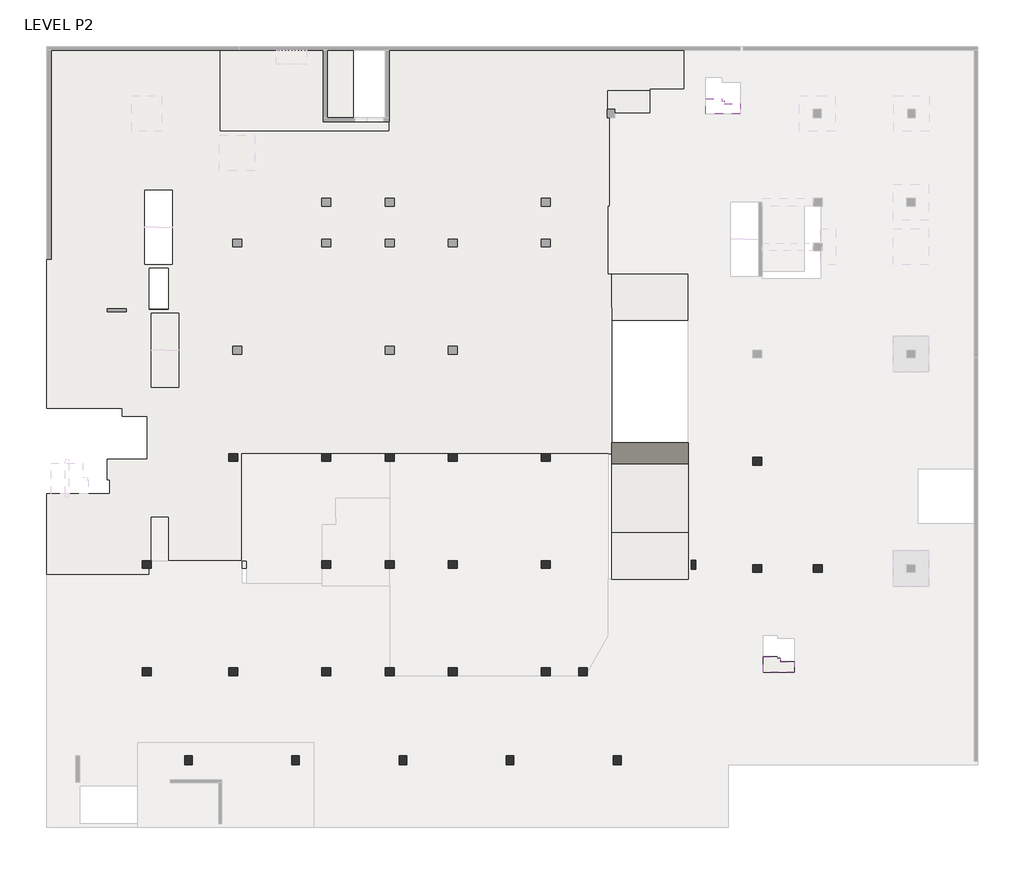
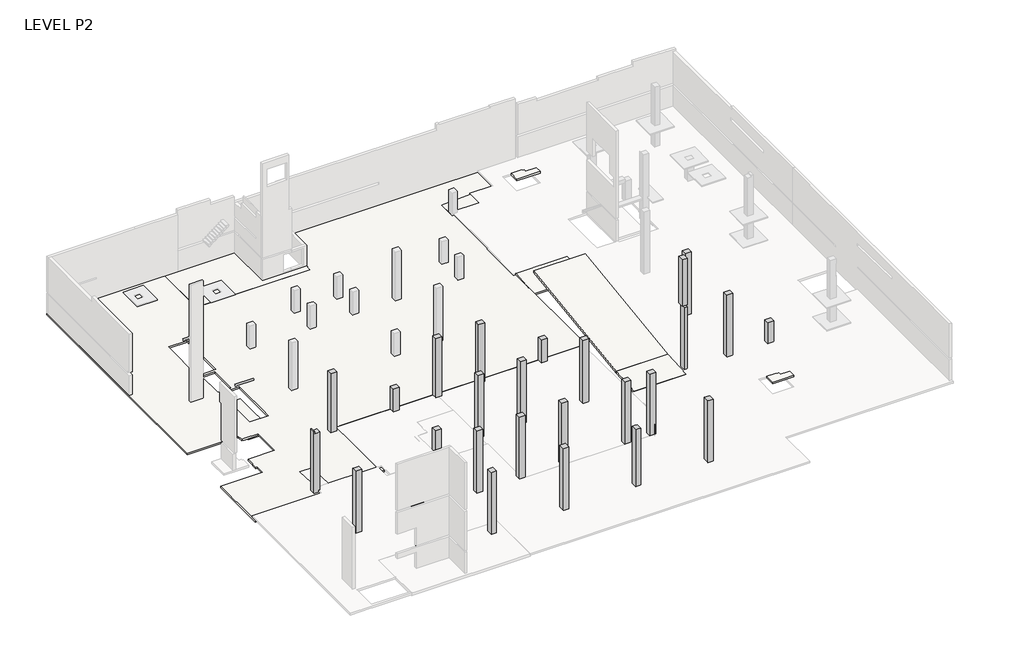
# One storey, part 2 of 3: 26 columns, 10 slabs, 2 beams.
"""IFC4 building model written with IfcOpenShell, lengths in millimetres."""

from ifc_helpers import new_model, si_unit, frame, origin, place, context, project, spatial, polyline, outline, extrude, faceted_brep, element, save

model = new_model("IFC4")

# Units and contexts
model_context = context("Model", 3, world=origin())
ifc_project = project(units=[si_unit("LENGTHUNIT", "METRE", prefix="MILLI")], contexts=[model_context])

# Site, building, storey
site = spatial("IfcSite", under=ifc_project)
building = spatial("IfcBuilding", under=site)
storey = spatial("IfcBuildingStorey", under=building, Name="LEVEL P2", Elevation=-8200.0)

# Beams
placement = place(None, origin())
element("IfcBeam", 1, ObjectType="110 DP.", at=placement, inside=storey, context=model_context, shape_type="SweptSolid", body=[
    extrude(outline(polyline([(187203.8204833, 179362.9545254), (187203.8204833, 176562.9545254), (178361.1491693, 176562.9545254), (178361.1491693, 179362.9545254), (187203.8204833, 179362.9545254)]), holes=[polyline([(185501.1489175, 177663.2322067), (186201.1489175, 177663.2322067), (186201.1489175, 178263.2322067), (185501.1489175, 178263.2322067), (185501.1489175, 177663.2322067)])]), frame((0.0, 0.0, -8510.0), z_axis=(0.0, 0.0, 1.0), x_axis=(1.0, 0.0, 0.0)), (0.0, 0.0, 1.0), 110.0),
])
element("IfcBeam", 2, ObjectType="110 DP.", at=placement, inside=storey, context=model_context, shape_type="SweptSolid", body=[
    extrude(outline(polyline([(187203.8204833, 170963.0636145), (187203.8204833, 168163.0636145), (178361.1491693, 168163.0636145), (178361.1491693, 170963.0636145), (187203.8204833, 170963.0636145)])), frame((0.0, 0.0, -8310.0), z_axis=(0.0, 0.0, 1.0), x_axis=(1.0, 0.0, 0.0)), (0.0, 0.0, 1.0), 110.0),
])

# Columns
element("IfcColumn", 3, ObjectType="SE_CONCRETE COLUMN_RECTANGULAR : 600X700", at=placement, inside=storey, context=model_context, shape_type="Brep", body=[
    faceted_brep([(210196.1491692, 186063.2322067, -8200.0), (209496.1491692, 186063.2322067, -8200.0), (209496.1491692, 186663.2322067, -8200.0), (210196.1491692, 186663.2322067, -8200.0), (210196.1491692, 186063.2322067, -5710.0), (210196.1491692, 186063.2322067, -5600.0), (210196.1491692, 186063.2322067, -930.0), (209496.1491692, 186063.2322067, -930.0), (209496.1491692, 186063.2322067, -5600.0), (209496.1491692, 186063.2322067, -5710.0), (209496.1491692, 186663.2322067, -930.0), (209496.1491692, 186663.2322067, -5600.0), (209496.1491692, 186663.2322067, -5710.0), (210196.1491692, 186663.2322067, -930.0), (210196.1491692, 186663.2322067, -5600.0), (210196.1491692, 186663.2322067, -5710.0)], [[[0, 1, 2, 3]], [[1, 0, 4, 5, 6, 7, 8, 9]], [[2, 1, 9, 8, 7, 10, 11, 12]], [[3, 2, 12, 11, 10, 13, 14, 15]], [[0, 3, 15, 14, 13, 6, 5, 4]], [[7, 6, 13, 10]]]),
])
element("IfcColumn", 4, ObjectType="SE_CONCRETE COLUMN_RECTANGULAR : 600X700", at=placement, inside=storey, context=model_context, shape_type="Brep", body=[
    faceted_brep([(192996.1491692, 186063.2322067, -8200.0), (192296.1491692, 186063.2322067, -8200.0), (192296.1491692, 186663.2322067, -8200.0), (192996.1491692, 186663.2322067, -8200.0), (192996.1491692, 186063.2322067, -5710.0), (192996.1491692, 186063.2322067, -5600.0), (192996.1491692, 186063.2322067, -930.0), (192296.1491692, 186063.2322067, -930.0), (192296.1491692, 186063.2322067, -5600.0), (192296.1491692, 186063.2322067, -5710.0), (192296.1491692, 186663.2322067, -930.0), (192296.1491692, 186663.2322067, -5600.0), (192296.1491692, 186663.2322067, -5710.0), (192996.1491692, 186663.2322067, -930.0), (192996.1491692, 186663.2322067, -5600.0), (192996.1491692, 186663.2322067, -5710.0)], [[[0, 1, 2, 3]], [[1, 0, 4, 5, 6, 7, 8, 9]], [[2, 1, 9, 8, 7, 10, 11, 12]], [[3, 2, 12, 11, 10, 13, 14, 15]], [[0, 3, 15, 14, 13, 6, 5, 4]], [[7, 6, 13, 10]]]),
])
element("IfcColumn", 5, ObjectType="SE_CONCRETE COLUMN_RECTANGULAR : 600X700", at=placement, inside=storey, context=model_context, shape_type="Brep", body=[
    faceted_brep([(205246.1491692, 186063.2322067, -8200.0), (204546.1491692, 186063.2322067, -8200.0), (204546.1491692, 186663.2322067, -8200.0), (205246.1491692, 186663.2322067, -8200.0), (205246.1491692, 186063.2322067, -5710.0), (205246.1491692, 186063.2322067, -5600.0), (205246.1491692, 186063.2322067, -930.0), (204546.1491692, 186063.2322067, -930.0), (204546.1491692, 186063.2322067, -5600.0), (204546.1491692, 186063.2322067, -5710.0), (204546.1491692, 186663.2322067, -930.0), (204546.1491692, 186663.2322067, -5600.0), (204546.1491692, 186663.2322067, -5710.0), (205246.1491692, 186663.2322067, -930.0), (205246.1491692, 186663.2322067, -5600.0), (205246.1491692, 186663.2322067, -5710.0)], [[[0, 1, 2, 3]], [[1, 0, 4, 5, 6, 7, 8, 9]], [[2, 1, 9, 8, 7, 10, 11, 12]], [[3, 2, 12, 11, 10, 13, 14, 15]], [[0, 3, 15, 14, 13, 6, 5, 4]], [[7, 6, 13, 10]]]),
])
element("IfcColumn", 6, ObjectType="SE_CONCRETE COLUMN_RECTANGULAR : 600X700", at=placement, inside=storey, context=model_context, shape_type="Brep", body=[
    faceted_brep([(200296.1491692, 186063.2322067, -8200.0), (199596.1491692, 186063.2322067, -8200.0), (199596.1491692, 186663.2322067, -8200.0), (200296.1491692, 186663.2322067, -8200.0), (200296.1491692, 186063.2322067, -5400.0), (199596.1491692, 186063.2322067, -5400.0), (199596.1491692, 186063.2322067, -5600.0), (199596.1491692, 186063.2322067, -5710.0), (200296.1491692, 186063.2322067, -5710.0), (200296.1491692, 186063.2322067, -5600.0), (199596.1491692, 186663.2322067, -5400.0), (199596.1491692, 186663.2322067, -5600.0), (199596.1491692, 186663.2322067, -5710.0), (200296.1491692, 186663.2322067, -5400.0), (200296.1491692, 186663.2322067, -5600.0), (200296.1491692, 186663.2322067, -5710.0)], [[[0, 1, 2, 3]], [[4, 5, 6, 7, 1, 0, 8, 9]], [[5, 10, 11, 12, 2, 1, 7, 6]], [[10, 13, 14, 15, 3, 2, 12, 11]], [[13, 4, 9, 8, 0, 3, 15, 14]], [[4, 13, 10, 5]]]),
])
element("IfcColumn", 7, ObjectType="SE_CONCRETE COLUMN_RECTANGULAR : 600X700", at=placement, inside=storey, context=model_context, shape_type="Brep", body=[
    faceted_brep([(217496.1491692, 186063.2322067, -8200.0), (216796.1491692, 186063.2322067, -8200.0), (216796.1491692, 186663.2322067, -8200.0), (217496.1491692, 186663.2322067, -8200.0), (217496.1491692, 186063.2322067, -5400.0), (216796.1491692, 186063.2322067, -5400.0), (216796.1491692, 186063.2322067, -5600.0), (216796.1491692, 186063.2322067, -5710.0), (217496.1491692, 186063.2322067, -5710.0), (217496.1491692, 186063.2322067, -5600.0), (216796.1491692, 186663.2322067, -5400.0), (216796.1491692, 186663.2322067, -5600.0), (216796.1491692, 186663.2322067, -5710.0), (217496.1491692, 186663.2322067, -5400.0), (217496.1491692, 186663.2322067, -5600.0), (217496.1491692, 186663.2322067, -5710.0)], [[[0, 1, 2, 3]], [[4, 5, 6, 7, 1, 0, 8, 9]], [[5, 10, 11, 12, 2, 1, 7, 6]], [[10, 13, 14, 15, 3, 2, 12, 11]], [[13, 4, 9, 8, 0, 3, 15, 14]], [[4, 13, 10, 5]]]),
])
element("IfcColumn", 8, ObjectType="SE_CONCRETE COLUMN_RECTANGULAR : 600X700", at=placement, inside=storey, context=model_context, shape_type="Brep", body=[
    faceted_brep([(234071.1491692, 185763.2314614, -8200.0), (233371.1491692, 185763.2314614, -8200.0), (233371.1491692, 186363.2314614, -8200.0), (234071.1491692, 186363.2314614, -8200.0), (234071.1491692, 185763.2314614, -5510.0), (234071.1491692, 185763.2314614, -5400.0), (234071.1491692, 185763.2314614, -1630.0), (234071.1491692, 185763.2314614, -380.0), (233371.1491692, 185763.2314614, -380.0), (233371.1491692, 185763.2314614, -1630.0), (233371.1491692, 185763.2314614, -5400.0), (233371.1491692, 185763.2314614, -5510.0), (233371.1491692, 186363.2314614, -380.0), (233371.1491692, 186363.2314614, -1630.0), (233371.1491692, 186363.2314614, -5400.0), (233371.1491692, 186363.2314614, -5510.0), (234071.1491692, 186363.2314614, -380.0), (234071.1491692, 186363.2314614, -1630.0), (234071.1491692, 186363.2314614, -5400.0), (234071.1491692, 186363.2314614, -5510.0)], [[[0, 1, 2, 3]], [[1, 0, 4, 5, 6, 7, 8, 9, 10, 11]], [[2, 1, 11, 10, 9, 8, 12, 13, 14, 15]], [[3, 2, 15, 14, 13, 12, 16, 17, 18, 19]], [[0, 3, 19, 18, 17, 16, 7, 6, 5, 4]], [[8, 7, 16, 12]]]),
])
element("IfcColumn", 9, ObjectType="SE_CONCRETE COLUMN_RECTANGULAR : 600X700", at=placement, inside=storey, context=model_context, shape_type="Brep", body=[
    faceted_brep([(186201.1489175, 177663.2322067, -8200.0), (185501.1489175, 177663.2322067, -8200.0), (185501.1489175, 178263.2322067, -8200.0), (186201.1489175, 178263.2322067, -8200.0), (186201.1489175, 177663.2322067, -5612.5814155), (186201.1489175, 177663.2322067, -5518.3296955), (186201.1489175, 177663.2322067, -5318.3098592), (186201.1489175, 177663.2322067, -4775.0), (186201.1489175, 177663.2322067, -4500.0), (186201.1489175, 177663.2322067, -860.0), (185951.1489175, 177663.2322067, -860.0), (185576.1489175, 177663.2322067, -860.0), (185576.1489175, 177663.2322067, -600.0), (185503.4778552, 177663.2322067, -600.0), (185501.1489175, 177663.2322067, -600.0), (185501.1489175, 177663.2322067, -1630.0), (185501.1489175, 177663.2322067, -4775.0), (185501.1489175, 177663.2322067, -4885.0), (185501.1489175, 178263.2322067, -600.0), (185501.1489175, 178263.2322067, -1630.0), (185501.1489175, 178263.2322067, -4775.0), (185501.1489175, 178263.2322067, -4885.0), (185503.4778552, 178263.2322067, -600.0), (185576.1489175, 178263.2322067, -600.0), (185576.1489175, 178263.2322067, -860.0), (185951.1489175, 178263.2322067, -860.0), (186201.1489175, 178263.2322067, -860.0), (186201.1489175, 178263.2322067, -4500.0), (186201.1489175, 178263.2322067, -4775.0), (186201.1489175, 178263.2322067, -5400.0), (186201.1489175, 178263.2322067, -5526.7803997), (186201.1489175, 178263.2322067, -5621.0321197)], [[[0, 1, 2, 3]], [[1, 0, 4, 5, 6, 7, 8, 9, 10, 11, 12, 13, 14, 15, 16, 17]], [[2, 1, 17, 16, 15, 14, 18, 19, 20, 21]], [[3, 2, 21, 20, 19, 18, 22, 23, 24, 25, 26, 27, 28, 29, 30, 31]], [[0, 3, 31, 30, 29, 28, 27, 26, 9, 8, 7, 6, 5, 4]], [[18, 14, 13, 12, 23, 22]], [[24, 11, 10, 9, 26, 25]], [[11, 24, 23, 12]]]),
])
element("IfcColumn", 10, ObjectType="SE_CONCRETE COLUMN_RECTANGULAR : 600X700", at=placement, inside=storey, context=model_context, shape_type="Brep", body=[
    faceted_brep([(210196.1491692, 177663.2322067, -8200.0), (209496.1491692, 177663.2322067, -8200.0), (209496.1491692, 178263.2322067, -8200.0), (210196.1491692, 178263.2322067, -8200.0), (210196.1491692, 177663.2322067, -5625.6530043), (210196.1491692, 177663.2322067, -5515.6420944), (210196.1491692, 177663.2322067, -1230.0), (210196.1491692, 177663.2322067, -380.0), (209496.1491692, 177663.2322067, -380.0), (209496.1491692, 177663.2322067, -1230.0), (209496.1491692, 177663.2322067, -5515.6420944), (209496.1491692, 177663.2322067, -5625.6530043), (209496.1491692, 178263.2322067, -380.0), (209496.1491692, 178263.2322067, -1230.0), (209496.1491692, 178263.2322067, -5524.0927986), (209496.1491692, 178263.2322067, -5634.1037086), (210196.1491692, 178263.2322067, -380.0), (210196.1491692, 178263.2322067, -1230.0), (210196.1491692, 178263.2322067, -5524.0927986), (210196.1491692, 178263.2322067, -5634.1037086)], [[[0, 1, 2, 3]], [[1, 0, 4, 5, 6, 7, 8, 9, 10, 11]], [[2, 1, 11, 10, 9, 8, 12, 13, 14, 15]], [[3, 2, 15, 14, 13, 12, 16, 17, 18, 19]], [[0, 3, 19, 18, 17, 16, 7, 6, 5, 4]], [[8, 7, 16, 12]]]),
])
element("IfcColumn", 11, ObjectType="SE_CONCRETE COLUMN_RECTANGULAR : 600X700", at=placement, inside=storey, context=model_context, shape_type="Brep", body=[
    faceted_brep([(205246.1491692, 177663.2322067, -8200.0), (204546.1491692, 177663.2322067, -8200.0), (204546.1491692, 178263.2322067, -8200.0), (205246.1491692, 178263.2322067, -8200.0), (205246.1491692, 177663.2322067, -5625.6530043), (205246.1491692, 177663.2322067, -5515.6420944), (205246.1491692, 177663.2322067, -1230.0), (205246.1491692, 177663.2322067, -380.0), (204896.1491692, 177663.2322067, -380.0), (204546.1491692, 177663.2322067, -380.0), (204546.1491692, 177663.2322067, -1230.0), (204546.1491692, 177663.2322067, -5515.6420944), (204546.1491692, 177663.2322067, -5625.6530043), (204546.1491692, 178263.2322067, -380.0), (204546.1491692, 178263.2322067, -1230.0), (204546.1491692, 178263.2322067, -5524.0927986), (204546.1491692, 178263.2322067, -5634.1037086), (204896.1491692, 178263.2322067, -380.0), (205246.1491692, 178263.2322067, -380.0), (205246.1491692, 178263.2322067, -1230.0), (205246.1491692, 178263.2322067, -5524.0927986), (205246.1491692, 178263.2322067, -5634.1037086)], [[[0, 1, 2, 3]], [[1, 0, 4, 5, 6, 7, 8, 9, 10, 11, 12]], [[2, 1, 12, 11, 10, 9, 13, 14, 15, 16]], [[3, 2, 16, 15, 14, 13, 17, 18, 19, 20, 21]], [[0, 3, 21, 20, 19, 18, 7, 6, 5, 4]], [[9, 8, 7, 18, 17, 13]]]),
])
element("IfcColumn", 12, ObjectType="SE_CONCRETE COLUMN_RECTANGULAR : 600X700", at=placement, inside=storey, context=model_context, shape_type="Brep", body=[
    faceted_brep([(200296.1491692, 177663.2322067, -8200.0), (199596.1491692, 177663.2322067, -8200.0), (199596.1491692, 178263.2322067, -8200.0), (200296.1491692, 178263.2322067, -8200.0), (200296.1491692, 177663.2322067, -5400.0), (199596.1491692, 177663.2322067, -5400.0), (199596.1491692, 177663.2322067, -5515.6420944), (199596.1491692, 177663.2322067, -5625.6530043), (200296.1491692, 177663.2322067, -5625.6530043), (200296.1491692, 177663.2322067, -5515.6420944), (199596.1491692, 178263.2322067, -5400.0), (199596.1491692, 178263.2322067, -5524.0927986), (199596.1491692, 178263.2322067, -5634.1037086), (200296.1491692, 178263.2322067, -5400.0), (200296.1491692, 178263.2322067, -5524.0927986), (200296.1491692, 178263.2322067, -5634.1037086)], [[[0, 1, 2, 3]], [[4, 5, 6, 7, 1, 0, 8, 9]], [[5, 10, 11, 12, 2, 1, 7, 6]], [[10, 13, 14, 15, 3, 2, 12, 11]], [[13, 4, 9, 8, 0, 3, 15, 14]], [[4, 13, 10, 5]]]),
])
element("IfcColumn", 13, ObjectType="SE_CONCRETE COLUMN_RECTANGULAR : 600X700", at=placement, inside=storey, context=model_context, shape_type="Brep", body=[
    faceted_brep([(209496.1491692, 169863.2322067, -8200.0), (210196.1491692, 169863.2322067, -8200.0), (210196.1491692, 169263.2322067, -8200.0), (209496.1491692, 169263.2322067, -8200.0), (209496.1491692, 169863.2322067, -5514.9669619), (209496.1491692, 169863.2322067, -5404.9560519), (209496.1491692, 169863.2322067, -1230.0), (209496.1491692, 169863.2322067, -380.0), (210196.1491692, 169863.2322067, -380.0), (210196.1491692, 169863.2322067, -1230.0), (210196.1491692, 169863.2322067, -5404.9560519), (210196.1491692, 169863.2322067, -5514.9669619), (210196.1491692, 169263.2322067, -380.0), (210196.1491692, 169263.2322067, -1230.0), (209496.1491692, 169263.2322067, -380.0), (209496.1491692, 169263.2322067, -1230.0)], [[[0, 1, 2, 3]], [[1, 0, 4, 5, 6, 7, 8, 9, 10, 11]], [[2, 1, 11, 10, 9, 8, 12, 13]], [[3, 2, 13, 12, 14, 15]], [[0, 3, 15, 14, 7, 6, 5, 4]], [[8, 7, 14, 12]]]),
])
element("IfcColumn", 14, ObjectType="SE_CONCRETE COLUMN_RECTANGULAR : 600X700", at=placement, inside=storey, context=model_context, shape_type="Brep", body=[
    faceted_brep([(217496.1491692, 177663.2322067, -8200.0), (216796.1491692, 177663.2322067, -8200.0), (216796.1491692, 178263.2322067, -8200.0), (217496.1491692, 178263.2322067, -8200.0), (217496.1491692, 177663.2322067, -5623.7707572), (217496.1491692, 177663.2322067, -5513.7598472), (217496.1491692, 177663.2322067, -1230.0), (217496.1491692, 177663.2322067, -380.0), (217146.1491692, 177663.2322067, -380.0), (216796.1491692, 177663.2322067, -380.0), (216796.1491692, 177663.2322067, -1230.0), (216796.1491692, 177663.2322067, -5513.7598472), (216796.1491692, 177663.2322067, -5623.7707572), (216796.1491692, 178263.2322067, -380.0), (216796.1491692, 178263.2322067, -1230.0), (216796.1491692, 178263.2322067, -5522.2105514), (216796.1491692, 178263.2322067, -5632.2214614), (217146.1491692, 178263.2322067, -380.0), (217496.1491692, 178263.2322067, -380.0), (217496.1491692, 178263.2322067, -1230.0), (217496.1491692, 178263.2322067, -5522.2105514), (217496.1491692, 178263.2322067, -5632.2214614)], [[[0, 1, 2, 3]], [[1, 0, 4, 5, 6, 7, 8, 9, 10, 11, 12]], [[2, 1, 12, 11, 10, 9, 13, 14, 15, 16]], [[3, 2, 16, 15, 14, 13, 17, 18, 19, 20, 21]], [[0, 3, 21, 20, 19, 18, 7, 6, 5, 4]], [[9, 8, 7, 18, 17, 13]]]),
])
element("IfcColumn", 15, ObjectType="SE_CONCRETE COLUMN_RECTANGULAR : 600X700", at=placement, inside=storey, context=model_context, shape_type="Brep", body=[
    faceted_brep([(204546.1491692, 169863.2322067, -8200.0), (205246.1491692, 169863.2322067, -8200.0), (205246.1491692, 169263.2322067, -8200.0), (204546.1491692, 169263.2322067, -8200.0), (204546.1491692, 169863.2322067, -5514.9669619), (204546.1491692, 169863.2322067, -5404.9560519), (204546.1491692, 169863.2322067, -1230.0), (204546.1491692, 169863.2322067, -380.0), (204896.1491692, 169863.2322067, -380.0), (205246.1491692, 169863.2322067, -380.0), (205246.1491692, 169863.2322067, -1230.0), (205246.1491692, 169863.2322067, -5404.9560519), (205246.1491692, 169863.2322067, -5514.9669619), (205246.1491692, 169263.2322067, -380.0), (205246.1491692, 169263.2322067, -1230.0), (204896.1491692, 169263.2322067, -380.0), (204546.1491692, 169263.2322067, -380.0), (204546.1491692, 169263.2322067, -1230.0)], [[[0, 1, 2, 3]], [[1, 0, 4, 5, 6, 7, 8, 9, 10, 11, 12]], [[2, 1, 12, 11, 10, 9, 13, 14]], [[3, 2, 14, 13, 15, 16, 17]], [[0, 3, 17, 16, 7, 6, 5, 4]], [[9, 8, 7, 16, 15, 13]]]),
])
element("IfcColumn", 16, ObjectType="SE_CONCRETE COLUMN_RECTANGULAR : 600X700", at=placement, inside=storey, context=model_context, shape_type="Brep", body=[
    faceted_brep([(199596.1491692, 169863.2322067, -8200.0), (200296.1491692, 169863.2322067, -8200.0), (200296.1491692, 169263.2322067, -8200.0), (199596.1491692, 169263.2322067, -8200.0), (199596.1491692, 169863.2322067, -5514.9669619), (199596.1491692, 169863.2322067, -5404.9560519), (199596.1491692, 169863.2322067, -1630.0), (199596.1491692, 169863.2322067, -380.0), (200296.1491692, 169863.2322067, -380.0), (200296.1491692, 169863.2322067, -1630.0), (200296.1491692, 169863.2322067, -5404.9560519), (200296.1491692, 169863.2322067, -5514.9669619), (200296.1491692, 169263.2322067, -380.0), (200296.1491692, 169263.2322067, -1630.0), (199596.1491692, 169263.2322067, -380.0), (199596.1491692, 169263.2322067, -1630.0)], [[[0, 1, 2, 3]], [[1, 0, 4, 5, 6, 7, 8, 9, 10, 11]], [[2, 1, 11, 10, 9, 8, 12, 13]], [[3, 2, 13, 12, 14, 15]], [[0, 3, 15, 14, 7, 6, 5, 4]], [[8, 7, 14, 12]]]),
])
element("IfcColumn", 17, ObjectType="SE_CONCRETE COLUMN_RECTANGULAR : 600X700", at=placement, inside=storey, context=model_context, shape_type="Brep", body=[
    faceted_brep([(197836.3204833, 162963.2318341, -8200.0), (197836.3204833, 162263.2318341, -8200.0), (197236.3204833, 162263.2318341, -8200.0), (197236.3204833, 162963.2318341, -8200.0), (197836.3204833, 162963.2318341, -5510.0), (197836.3204833, 162963.2318341, -5400.0), (197836.3204833, 162963.2318341, -1630.0), (197836.3204833, 162963.2318341, -380.0), (197836.3204833, 162263.2318341, -380.0), (197836.3204833, 162263.2318341, -1630.0), (197836.3204833, 162263.2318341, -5400.0), (197836.3204833, 162263.2318341, -5510.0), (197236.3204833, 162263.2318341, -380.0), (197236.3204833, 162263.2318341, -1630.0), (197236.3204833, 162263.2318341, -5400.0), (197236.3204833, 162263.2318341, -5510.0), (197236.3204833, 162963.2318341, -380.0), (197236.3204833, 162963.2318341, -1630.0), (197236.3204833, 162963.2318341, -5400.0), (197236.3204833, 162963.2318341, -5510.0)], [[[0, 1, 2, 3]], [[1, 0, 4, 5, 6, 7, 8, 9, 10, 11]], [[2, 1, 11, 10, 9, 8, 12, 13, 14, 15]], [[3, 2, 15, 14, 13, 12, 16, 17, 18, 19]], [[0, 3, 19, 18, 17, 16, 7, 6, 5, 4]], [[8, 7, 16, 12]]]),
])
element("IfcColumn", 18, ObjectType="SE_CONCRETE COLUMN_RECTANGULAR : 600X700", at=placement, inside=storey, context=model_context, shape_type="Brep", body=[
    faceted_brep([(206236.3204833, 162963.2318341, -8200.0), (206236.3204833, 162263.2318341, -8200.0), (205636.3204833, 162263.2318341, -8200.0), (205636.3204833, 162963.2318341, -8200.0), (206236.3204833, 162963.2318341, -5510.0), (206236.3204833, 162963.2318341, -5400.0), (206236.3204833, 162963.2318341, -1230.0), (206236.3204833, 162963.2318341, -380.0), (206236.3204833, 162263.2318341, -380.0), (206236.3204833, 162263.2318341, -1230.0), (206236.3204833, 162263.2318341, -5400.0), (206236.3204833, 162263.2318341, -5510.0), (205936.3204833, 162263.2318341, -380.0), (205636.3204833, 162263.2318341, -380.0), (205636.3204833, 162263.2318341, -1230.0), (205636.3204833, 162263.2318341, -5400.0), (205636.3204833, 162263.2318341, -5510.0), (205636.3204833, 162963.2318341, -380.0), (205636.3204833, 162963.2318341, -1230.0), (205636.3204833, 162963.2318341, -5400.0), (205636.3204833, 162963.2318341, -5510.0), (205936.3204833, 162963.2318341, -380.0)], [[[0, 1, 2, 3]], [[1, 0, 4, 5, 6, 7, 8, 9, 10, 11]], [[2, 1, 11, 10, 9, 8, 12, 13, 14, 15, 16]], [[3, 2, 16, 15, 14, 13, 17, 18, 19, 20]], [[0, 3, 20, 19, 18, 17, 21, 7, 6, 5, 4]], [[8, 7, 21, 17, 13, 12]]]),
])
element("IfcColumn", 19, ObjectType="SE_CONCRETE COLUMN_RECTANGULAR : 600X700", at=placement, inside=storey, context=model_context, shape_type="Brep", body=[
    faceted_brep([(214636.3204833, 162963.2318341, -8200.0), (214636.3204833, 162263.2318341, -8200.0), (214036.3204833, 162263.2318341, -8200.0), (214036.3204833, 162963.2318341, -8200.0), (214636.3204833, 162963.2318341, -1000.0), (214636.3204833, 162263.2318341, -1000.0), (214636.3204833, 162263.2318341, -1230.0), (214636.3204833, 162263.2318341, -5400.0), (214636.3204833, 162263.2318341, -5510.0), (214636.3204833, 162963.2318341, -5510.0), (214636.3204833, 162963.2318341, -5400.0), (214636.3204833, 162963.2318341, -1230.0), (214336.3204833, 162263.2318341, -1000.0), (214036.3204833, 162263.2318341, -1000.0), (214036.3204833, 162263.2318341, -1230.0), (214036.3204833, 162263.2318341, -5400.0), (214036.3204833, 162263.2318341, -5510.0), (214036.3204833, 162963.2318341, -1000.0), (214036.3204833, 162963.2318341, -1230.0), (214036.3204833, 162963.2318341, -5400.0), (214036.3204833, 162963.2318341, -5510.0), (214336.3204833, 162963.2318341, -1000.0)], [[[0, 1, 2, 3]], [[4, 5, 6, 7, 8, 1, 0, 9, 10, 11]], [[5, 12, 13, 14, 15, 16, 2, 1, 8, 7, 6]], [[13, 17, 18, 19, 20, 3, 2, 16, 15, 14]], [[17, 21, 4, 11, 10, 9, 0, 3, 20, 19, 18]], [[4, 21, 17, 13, 12, 5]]]),
])
element("IfcColumn", 20, ObjectType="SE_CONCRETE COLUMN_RECTANGULAR : 600X700", at=placement, inside=storey, context=model_context, shape_type="Brep", body=[
    faceted_brep([(223036.3204833, 162963.2318341, -8200.0), (223036.3204833, 162263.2318341, -8200.0), (222436.3204833, 162263.2318341, -8200.0), (222436.3204833, 162963.2318341, -8200.0), (223036.3204833, 162963.2318341, -5510.0), (223036.3204833, 162963.2318341, -5400.0), (223036.3204833, 162963.2318341, -1230.0), (223036.3204833, 162963.2318341, -380.0), (223036.3204833, 162263.2318341, -380.0), (223036.3204833, 162263.2318341, -1230.0), (223036.3204833, 162263.2318341, -5400.0), (223036.3204833, 162263.2318341, -5510.0), (222436.3204833, 162263.2318341, -380.0), (222436.3204833, 162263.2318341, -1230.0), (222436.3204833, 162263.2318341, -5400.0), (222436.3204833, 162263.2318341, -5510.0), (222436.3204833, 162963.2318341, -380.0), (222436.3204833, 162963.2318341, -1230.0), (222436.3204833, 162963.2318341, -5400.0), (222436.3204833, 162963.2318341, -5510.0)], [[[0, 1, 2, 3]], [[1, 0, 4, 5, 6, 7, 8, 9, 10, 11]], [[2, 1, 11, 10, 9, 8, 12, 13, 14, 15]], [[3, 2, 15, 14, 13, 12, 16, 17, 18, 19]], [[0, 3, 19, 18, 17, 16, 7, 6, 5, 4]], [[8, 7, 16, 12]]]),
])
element("IfcColumn", 21, ObjectType="SE_CONCRETE COLUMN_RECTANGULAR : 600X700", at=placement, inside=storey, context=model_context, shape_type="Brep", body=[
    faceted_brep([(217496.1491692, 169263.2322067, -8200.0), (216796.1491692, 169263.2322067, -8200.0), (216796.1491692, 169863.2322067, -8200.0), (217496.1491692, 169863.2322067, -8200.0), (217496.1491692, 169263.2322067, -5510.0), (217496.1491692, 169263.2322067, -5400.0), (217496.1491692, 169263.2322067, -1230.0), (217496.1491692, 169263.2322067, -380.0), (217146.1491692, 169263.2322067, -380.0), (216796.1491692, 169263.2322067, -380.0), (216796.1491692, 169263.2322067, -1230.0), (216796.1491692, 169263.2322067, -5400.0), (216796.1491692, 169263.2322067, -5510.0), (216796.1491692, 169863.2322067, -380.0), (216796.1491692, 169863.2322067, -1230.0), (216796.1491692, 169863.2322067, -5400.0), (216796.1491692, 169863.2322067, -5510.0), (217146.1491692, 169863.2322067, -380.0), (217496.1491692, 169863.2322067, -380.0), (217496.1491692, 169863.2322067, -1230.0), (217496.1491692, 169863.2322067, -5400.0), (217496.1491692, 169863.2322067, -5510.0)], [[[0, 1, 2, 3]], [[1, 0, 4, 5, 6, 7, 8, 9, 10, 11, 12]], [[2, 1, 12, 11, 10, 9, 13, 14, 15, 16]], [[3, 2, 16, 15, 14, 13, 17, 18, 19, 20, 21]], [[0, 3, 21, 20, 19, 18, 7, 6, 5, 4]], [[9, 8, 7, 18, 17, 13]]]),
])
element("IfcColumn", 22, ObjectType="SE_CONCRETE COLUMN_RECTANGULAR : 600X700", at=placement, inside=storey, context=model_context, shape_type="Brep", body=[
    faceted_brep([(220406.1491692, 169263.2322067, -8200.0), (219706.1491692, 169263.2322067, -8200.0), (219706.1491692, 169863.2322067, -8200.0), (220406.1491692, 169863.2322067, -8200.0), (220406.1491692, 169263.2322067, -5510.0), (220406.1491692, 169263.2322067, -5400.0), (220406.1491692, 169263.2322067, -1230.0), (220406.1491692, 169263.2322067, -380.0), (219706.1491692, 169263.2322067, -380.0), (219706.1491692, 169263.2322067, -1230.0), (219706.1491692, 169263.2322067, -5400.0), (219706.1491692, 169263.2322067, -5510.0), (219706.1491692, 169863.2322067, -380.0), (219706.1491692, 169863.2322067, -1230.0), (219706.1491692, 169863.2322067, -5400.0), (219706.1491692, 169863.2322067, -5510.0), (220406.1491692, 169863.2322067, -380.0), (220406.1491692, 169863.2322067, -1230.0), (220406.1491692, 169863.2322067, -5400.0), (220406.1491692, 169863.2322067, -5510.0)], [[[0, 1, 2, 3]], [[1, 0, 4, 5, 6, 7, 8, 9, 10, 11]], [[2, 1, 11, 10, 9, 8, 12, 13, 14, 15]], [[3, 2, 15, 14, 13, 12, 16, 17, 18, 19]], [[0, 3, 19, 18, 17, 16, 7, 6, 5, 4]], [[8, 7, 16, 12]]]),
])
element("IfcColumn", 23, ObjectType="SE_CONCRETE COLUMN_RECTANGULAR : 600X700", at=placement, inside=storey, context=model_context, shape_type="Brep", body=[
    faceted_brep([(234071.1491692, 177363.2318341, -8200.0), (233371.1491692, 177363.2318341, -8200.0), (233371.1491692, 177963.2318341, -8200.0), (234071.1491692, 177963.2318341, -8200.0), (234071.1491692, 177363.2318341, -5510.0), (234071.1491692, 177363.2318341, -5400.0), (234071.1491692, 177363.2318341, -1630.0), (234071.1491692, 177363.2318341, -380.0), (233371.1491692, 177363.2318341, -380.0), (233371.1491692, 177363.2318341, -1630.0), (233371.1491692, 177363.2318341, -5400.0), (233371.1491692, 177363.2318341, -5510.0), (233371.1491692, 177963.2318341, -380.0), (233371.1491692, 177963.2318341, -1630.0), (233371.1491692, 177963.2318341, -5400.0), (233371.1491692, 177963.2318341, -5510.0), (234071.1491692, 177963.2318341, -380.0), (234071.1491692, 177963.2318341, -1630.0), (234071.1491692, 177963.2318341, -5400.0), (234071.1491692, 177963.2318341, -5510.0)], [[[0, 1, 2, 3]], [[1, 0, 4, 5, 6, 7, 8, 9, 10, 11]], [[2, 1, 11, 10, 9, 8, 12, 13, 14, 15]], [[3, 2, 15, 14, 13, 12, 16, 17, 18, 19]], [[0, 3, 19, 18, 17, 16, 7, 6, 5, 4]], [[8, 7, 16, 12]]]),
])
element("IfcColumn", 24, ObjectType="SE_CONCRETE COLUMN_RECTANGULAR : 600X700", at=placement, inside=storey, context=model_context, shape_type="Brep", body=[
    faceted_brep([(189436.3204833, 162963.2318341, -8200.0), (189436.3204833, 162263.2318341, -8200.0), (188836.3204833, 162263.2318341, -8200.0), (188836.3204833, 162963.2318341, -8200.0), (189436.3204833, 162963.2318341, -5510.0), (189436.3204833, 162963.2318341, -5400.0), (189436.3204833, 162963.2318341, -1630.0), (189436.3204833, 162963.2318341, -380.0), (189436.3204833, 162263.2318341, -380.0), (189436.3204833, 162263.2318341, -1630.0), (189436.3204833, 162263.2318341, -5400.0), (189436.3204833, 162263.2318341, -5510.0), (189136.3204833, 162263.2318341, -380.0), (188836.3204833, 162263.2318341, -380.0), (188836.3204833, 162263.2318341, -1630.0), (188836.3204833, 162263.2318341, -5400.0), (188836.3204833, 162263.2318341, -5510.0), (188836.3204833, 162963.2318341, -380.0), (188836.3204833, 162963.2318341, -1630.0), (188836.3204833, 162963.2318341, -5400.0), (188836.3204833, 162963.2318341, -5510.0), (189136.3204833, 162963.2318341, -380.0)], [[[0, 1, 2, 3]], [[1, 0, 4, 5, 6, 7, 8, 9, 10, 11]], [[2, 1, 11, 10, 9, 8, 12, 13, 14, 15, 16]], [[3, 2, 16, 15, 14, 13, 17, 18, 19, 20]], [[0, 3, 20, 19, 18, 17, 21, 7, 6, 5, 4]], [[8, 7, 21, 17, 13, 12]]]),
])
element("IfcColumn", 25, ObjectType="SE_CONCRETE COLUMN_RECTANGULAR : 600X700", at=placement, inside=storey, context=model_context, shape_type="Brep", body=[
    faceted_brep([(185501.1489175, 169863.2322067, -8200.0), (186201.1489175, 169863.2322067, -8200.0), (186201.1489175, 169263.2322067, -8200.0), (185501.1489175, 169263.2322067, -8200.0), (185501.1489175, 169863.2322067, -5510.0), (185501.1489175, 169863.2322067, -5400.0), (185501.1489175, 169863.2322067, -1630.0), (185501.1489175, 169863.2322067, -380.0), (185951.1489175, 169863.2322067, -380.0), (186201.1489175, 169863.2322067, -380.0), (186201.1489175, 169863.2322067, -5200.0), (186201.1489175, 169863.2322067, -5400.0), (186201.1489175, 169863.2322067, -5510.0), (186201.1489175, 169263.2322067, -380.0), (186201.1489175, 169263.2322067, -1630.0), (186201.1489175, 169263.2322067, -5400.0), (186201.1489175, 169263.2322067, -5510.0), (185501.1489175, 169263.2322067, -380.0), (185501.1489175, 169263.2322067, -1630.0), (185501.1489175, 169263.2322067, -5400.0), (185501.1489175, 169263.2322067, -5510.0)], [[[0, 1, 2, 3]], [[1, 0, 4, 5, 6, 7, 8, 9, 10, 11, 12]], [[2, 1, 12, 11, 10, 9, 13, 14, 15, 16]], [[3, 2, 16, 15, 14, 13, 17, 18, 19, 20]], [[0, 3, 20, 19, 18, 17, 7, 6, 5, 4]], [[9, 8, 7, 17, 13]]]),
])
element("IfcColumn", 26, ObjectType="SE_CONCRETE COLUMN_RECTANGULAR : 600X700", at=placement, inside=storey, context=model_context, shape_type="SweptSolid", body=[
    extrude(outline(polyline([(228896.1491692, 178313.2322067), (228896.1491692, 177613.2322067), (228546.1491692, 177613.2322067), (228546.1491692, 178313.2322067), (228896.1491692, 178313.2322067)])), frame((0.0, 0.0, -8200.0), z_axis=(0.0, 0.0, 1.0), x_axis=(1.0, 0.0, 0.0)), (0.0, 0.0, 1.0), 7820.0),
    extrude(outline(polyline([(228896.1491692, 178313.2322067), (228896.1491692, 177613.2322067), (228296.1491692, 177613.2322067), (228296.1491692, 178313.2322067), (228896.1491692, 178313.2322067)])), frame((0.0, 0.0, -130.0), z_axis=(0.0, 0.0, 1.0), x_axis=(1.0, 0.0, 0.0)), (0.0, 0.0, 1.0), 5730.0),
])
element("IfcColumn", 27, ObjectType="SE_CONCRETE COLUMN_RECTANGULAR : 600X700", at=placement, inside=storey, context=model_context, shape_type="Brep", body=[
    faceted_brep([(238811.1491692, 177363.2318341, -8200.0), (238111.1491692, 177363.2318341, -8200.0), (238111.1491692, 177963.2318341, -8200.0), (238811.1491692, 177963.2318341, -8200.0), (238811.1491692, 177363.2318341, -5400.0), (238111.1491692, 177363.2318341, -5400.0), (238111.1491692, 177363.2318341, -5510.0), (238811.1491692, 177363.2318341, -5510.0), (238111.1491692, 177963.2318341, -5400.0), (238111.1491692, 177963.2318341, -5510.0), (238811.1491692, 177963.2318341, -5400.0), (238811.1491692, 177963.2318341, -5510.0)], [[[0, 1, 2, 3]], [[4, 5, 6, 1, 0, 7]], [[5, 8, 9, 2, 1, 6]], [[8, 10, 11, 3, 2, 9]], [[10, 4, 7, 0, 3, 11]], [[4, 10, 8, 5]]]),
])
element("IfcColumn", 28, ObjectType="SE_CONCRETE COLUMN_RECTANGULAR : 600X700", at=placement, inside=storey, context=model_context, shape_type="Brep", body=[
    faceted_brep([(192296.1491692, 169863.2322067, -8200.0), (192996.1491692, 169863.2322067, -8200.0), (192996.1491692, 169263.2322067, -8200.0), (192296.1491692, 169263.2322067, -8200.0), (192296.1491692, 169863.2322067, -5400.0), (192996.1491692, 169863.2322067, -5400.0), (192996.1491692, 169863.2322067, -5423.9203066), (192996.1491692, 169863.2322067, -5533.9312166), (192296.1491692, 169863.2322067, -5533.9312166), (192296.1491692, 169863.2322067, -5423.9203066), (192996.1491692, 169263.2322067, -5400.0), (192996.1491692, 169263.2322067, -5415.4696024), (192996.1491692, 169263.2322067, -5525.4805124), (192296.1491692, 169263.2322067, -5400.0), (192296.1491692, 169263.2322067, -5415.4696024), (192296.1491692, 169263.2322067, -5525.4805124)], [[[0, 1, 2, 3]], [[4, 5, 6, 7, 1, 0, 8, 9]], [[5, 10, 11, 12, 2, 1, 7, 6]], [[10, 13, 14, 15, 3, 2, 12, 11]], [[13, 4, 9, 8, 0, 3, 15, 14]], [[4, 13, 10, 5]]]),
])

# Slabs
element("IfcSlab", 29, ObjectType="200 SLAB", at=placement, inside=storey, context=model_context, shape_type="SweptSolid", body=[
    extrude(outline(polyline([(236628.4739802, 170358.2322067), (236628.4739802, 169513.2322067), (234188.4739802, 169513.2322067), (234188.4739802, 170738.2322067), (235288.4739802, 170738.2322067), (235288.4739802, 170613.2322067), (235528.4739802, 170613.2322067), (235528.4739802, 170358.2322067), (236628.4739802, 170358.2322067)])), frame((0.0, 0.0, -6800.0), z_axis=(0.0, 0.0, 1.0), x_axis=(1.0, 0.0, 0.0)), (0.0, 0.0, 1.0), 200.0),
])
element("IfcSlab", 30, ObjectType="200 SLAB", at=placement, inside=storey, context=model_context, shape_type="Brep", body=[
    faceted_brep([(222296.1491692, 186663.2322067, -8400.0), (193696.1491692, 186663.2322067, -8400.0), (193696.1491692, 177663.2322067, -8400.0), (187201.1489175, 177663.2322067, -8400.0), (187201.1489175, 176553.2322067, -8400.0), (178011.1491693, 176553.2322067, -8400.0), (178011.1491693, 183507.2325529, -8400.0), (178361.1491693, 183507.2325529, -8400.0), (182946.3204833, 183507.2325529, -8400.0), (182946.3204833, 184607.2325529, -8400.0), (182771.1489175, 184607.2325529, -8400.0), (182771.1489175, 185907.2325529, -8400.0), (182771.1489175, 186207.2325529, -8400.0), (185901.1489175, 186207.2325529, -8400.0), (185901.1489175, 189578.8314181, -8400.0), (184256.1489175, 189578.8314181, -8400.0), (183961.3204833, 189578.8314181, -8400.0), (183961.3204833, 190207.2325529, -8400.0), (183956.1489175, 190207.2325529, -8400.0), (178011.1491693, 190207.2325529, -8400.0), (178011.1491693, 190507.2325529, -8400.0), (178011.1491693, 202193.1983002, -8400.0), (178011.1491693, 218563.2318341, -8400.0), (191597.1491692, 218563.2318341, -8400.0), (191597.1491692, 211913.2318341, -8400.0), (204852.1491692, 211913.2318341, -8400.0), (204852.1491692, 212963.2318341, -8400.0), (204852.1491692, 218263.2318341, -8400.0), (204852.1491692, 218563.2318341, -8400.0), (216475.5971201, 218563.2318341, -8400.0), (228592.1491692, 218563.2318341, -8400.0), (228592.1491692, 214633.2318341, -8400.0), (225943.7148824, 214633.2318341, -8400.0), (225943.7148824, 212743.2318341, -8400.0), (222756.1491692, 212743.2318341, -8400.0), (222756.1491692, 200767.6490053, -8400.0), (222296.1491692, 200767.6490053, -8400.0), (187861.1489205, 207308.2322067, -8400.0), (185701.1489205, 207308.2322067, -8400.0), (185701.1489205, 201493.2322067, -8400.0), (187861.1489205, 201493.2322067, -8400.0), (186041.1489175, 201193.2322067, -8400.0), (186041.1489175, 197958.2322067, -8400.0), (186201.1489175, 197958.2322067, -8400.0), (186201.1489175, 197957.6490083, -8400.0), (187556.1491692, 197957.6490083, -8400.0), (187556.1491692, 201193.2322067, -8400.0), (186201.1489175, 201193.2322067, -8400.0), (188361.1489175, 197658.2322067, -8400.0), (186201.1489175, 197658.2322067, -8400.0), (186201.1489175, 197657.6490083, -8400.0), (186201.1489175, 191842.6490083, -8400.0), (188361.1489175, 191842.6490083, -8400.0), (188361.1489175, 197657.6490083, -8400.0), (193696.1491692, 186663.2322067, -8200.0), (222296.1491692, 186663.2322067, -8200.0), (222296.1491692, 200767.6490053, -8200.0), (222756.1491692, 200767.6490053, -8200.0), (222756.1491692, 212743.2318341, -8200.0), (225943.7148824, 212743.2318341, -8200.0), (225943.7148824, 214633.2318341, -8200.0), (228592.1491692, 214633.2318341, -8200.0), (228592.1491692, 218563.2318341, -8200.0), (227992.1491692, 218563.2318341, -8200.0), (204852.1491692, 218563.2318341, -8200.0), (204852.1491692, 218263.2318341, -8200.0), (204852.1491692, 212963.2318341, -8200.0), (204852.1491692, 211913.2318341, -8200.0), (191597.1491692, 211913.2318341, -8200.0), (191597.1491692, 218563.2318341, -8200.0), (178011.1491693, 218563.2318341, -8200.0), (178011.1491693, 201882.2325529, -8200.0), (178011.1491693, 190507.2325529, -8200.0), (178011.1491693, 190207.2325529, -8200.0), (183956.1489175, 190207.2325529, -8200.0), (183961.3204833, 190207.2325529, -8200.0), (183961.3204833, 189578.8314181, -8200.0), (184256.1489175, 189578.8314181, -8200.0), (185901.1489175, 189578.8314181, -8200.0), (185901.1489175, 186207.2325529, -8200.0), (182771.1489175, 186207.2325529, -8200.0), (182771.1489175, 185907.2325529, -8200.0), (182771.1489175, 184607.2325529, -8200.0), (182946.3204833, 184607.2325529, -8200.0), (182946.3204833, 183507.2325529, -8200.0), (178361.1491693, 183507.2325529, -8200.0), (178011.1491693, 183507.2325529, -8200.0), (178011.1491693, 177153.2322067, -8200.0), (178011.1491693, 176553.2322067, -8200.0), (187201.1489175, 176553.2322067, -8200.0), (187201.1489175, 177663.2322067, -8200.0), (193696.1491692, 177663.2322067, -8200.0), (185701.1489205, 207308.2322067, -8200.0), (187861.1489205, 207308.2322067, -8200.0), (187861.1489205, 206083.2322067, -8200.0), (187861.1489205, 202718.2322067, -8200.0), (187861.1489205, 201493.2322067, -8200.0), (185701.1489205, 201493.2322067, -8200.0), (186041.1489175, 197958.2322067, -8200.0), (186041.1489175, 201193.2322067, -8200.0), (186201.1489175, 201193.2322067, -8200.0), (187556.1491692, 201193.2322067, -8200.0), (187556.1491692, 197957.6490083, -8200.0), (186201.1489175, 197957.6490083, -8200.0), (186201.1489175, 197958.2322067, -8200.0), (186201.1489175, 197658.2322067, -8200.0), (188361.1489175, 197658.2322067, -8200.0), (188361.1489175, 197657.6490083, -8200.0), (188361.1489175, 196433.2322067, -8200.0), (188361.1489175, 193068.2322067, -8200.0), (188361.1489175, 191842.6490083, -8200.0), (186201.1489175, 191842.6490083, -8200.0), (186201.1489175, 197657.6490083, -8200.0)], [[[0, 1, 2, 3, 4, 5, 6, 7, 8, 9, 10, 11, 12, 13, 14, 15, 16, 17, 18, 19, 20, 21, 22, 23, 24, 25, 26, 27, 28, 29, 30, 31, 32, 33, 34, 35, 36], [37, 38, 39, 40], [41, 42, 43, 44, 45, 46, 47], [48, 49, 50, 51, 52, 53]], [[54, 55, 56, 57, 58, 59, 60, 61, 62, 63, 64, 65, 66, 67, 68, 69, 70, 71, 72, 73, 74, 75, 76, 77, 78, 79, 80, 81, 82, 83, 84, 85, 86, 87, 88, 89, 90, 91], [92, 93, 94, 95, 96, 97], [98, 99, 100, 101, 102, 103, 104], [105, 106, 107, 108, 109, 110, 111, 112]], [[1, 0, 55, 54]], [[2, 1, 54, 91]], [[23, 22, 70, 69]], [[24, 23, 69, 68]], [[25, 24, 68, 67]], [[25, 67, 66, 65, 64, 28, 27, 26]], [[30, 29, 28, 64, 63, 62]], [[35, 34, 58, 57]], [[3, 2, 91, 90]], [[14, 13, 79, 78]], [[14, 78, 77, 76, 16, 15]], [[73, 19, 18, 17, 75, 74]], [[22, 21, 20, 19, 73, 72, 71, 70]], [[49, 48, 106, 105]], [[49, 105, 112, 111, 51, 50]], [[106, 48, 53, 52, 110, 109, 108, 107]], [[38, 37, 93, 92]], [[39, 38, 92, 97]], [[40, 39, 97, 96]], [[37, 40, 96, 95, 94, 93]], [[99, 41, 47, 46, 101, 100]], [[42, 41, 99, 98]], [[42, 98, 104, 43]], [[101, 46, 45, 102]], [[4, 3, 90, 89]], [[5, 4, 89, 88]], [[6, 5, 88, 87, 86]], [[13, 12, 80, 79]], [[31, 30, 62, 61]], [[32, 31, 61, 60]], [[33, 32, 60, 59]], [[34, 33, 59, 58]], [[8, 7, 6, 86, 85, 84]], [[9, 8, 84, 83]], [[10, 9, 83, 82]], [[12, 11, 10, 82, 81, 80]], [[75, 17, 16, 76]], [[51, 111, 110, 52]], [[36, 35, 57, 56]], [[0, 36, 56, 55]], [[103, 44, 43, 104]], [[44, 103, 102, 45]]]),
])
element("IfcSlab", 31, ObjectType="200 SLAB", at=placement, inside=storey, context=model_context, shape_type="SweptSolid", body=[
    extrude(outline(polyline([(229685.5971201, 213278.2318341), (229685.5971201, 214454.5274851), (230930.5971201, 214454.5274851), (230930.5971201, 214329.5274851), (231130.5971201, 214329.5274851), (231130.5971201, 214074.5274851), (232398.1851391, 214074.5274851), (232398.1851391, 213278.2318341), (229685.5971201, 213278.2318341)])), frame((0.0, 0.0, -6800.0), z_axis=(0.0, 0.0, 1.0), x_axis=(1.0, 0.0, 0.0)), (0.0, 0.0, 1.0), 200.0),
])
element("IfcSlab", 32, ObjectType="200 SLAB", at=placement, inside=storey, context=model_context, shape_type="Brep", body=[
    faceted_brep([(188661.1489175, 197958.2322067, -10150.0), (188661.1489175, 197657.6490083, -10150.0), (188661.1489175, 191542.6490083, -10150.0), (188361.1489175, 191542.6490083, -10150.0), (185901.1489175, 191542.6490083, -10150.0), (185901.1489175, 191842.6490083, -10150.0), (185901.1489175, 197657.6490083, -10150.0), (185901.1489175, 197958.2322067, -10150.0), (188661.1489175, 197958.2322067, -9950.0), (185901.1489175, 197958.2322067, -9950.0), (185901.1489175, 197657.6490083, -9950.0), (185901.1489175, 191842.6490083, -9950.0), (185901.1489175, 191542.6490083, -9950.0), (188361.1489175, 191542.6490083, -9950.0), (188661.1489175, 191542.6490083, -9950.0), (188661.1489175, 197657.6490083, -9950.0)], [[[0, 1, 2, 3, 4, 5, 6, 7]], [[8, 9, 10, 11, 12, 13, 14, 15]], [[2, 1, 0, 8, 15, 14]], [[4, 3, 2, 14, 13, 12]], [[7, 6, 5, 4, 12, 11, 10, 9]], [[0, 7, 9, 8]]]),
])
element("IfcSlab", 33, ObjectType="200 SLAB", at=placement, inside=storey, context=model_context, shape_type="SweptSolid", body=[
    extrude(outline(polyline([(234188.4739802, 169513.2322067), (234188.4739802, 170738.2322067), (235288.4739802, 170738.2322067), (235288.4739802, 170613.2322067), (235528.4739802, 170613.2322067), (235528.4739802, 170358.2322067), (236628.4739802, 170358.2322067), (236628.4739802, 169513.2322067), (234188.4739802, 169513.2322067)])), frame((0.0, 0.0, -9600.0), z_axis=(0.0, 0.0, 1.0), x_axis=(1.0, 0.0, 0.0)), (0.0, 0.0, 1.0), 200.0),
])
element("IfcSlab", 34, ObjectType="225 SLAB", at=placement, inside=storey, context=model_context, shape_type="Brep", body=[
    faceted_brep([(228296.1491692, 180452.6490053, -7950.6377011), (228296.1491692, 176802.6490053, -8225.6377011), (222296.1491692, 176802.6490053, -8225.6377011), (222296.1491692, 180452.6490053, -7950.6377011), (228296.1491692, 180452.6490053, -7725.0), (222296.1491692, 180452.6490053, -7725.0), (222296.1491692, 176802.6490053, -8000.0), (228296.1491692, 176802.6490053, -8000.0), (228296.1491692, 176802.6490053, -8200.0)], [[[0, 1, 2, 3]], [[4, 5, 6, 7]], [[1, 0, 4, 7, 8]], [[2, 1, 8, 7, 6]], [[3, 2, 6, 5]], [[0, 3, 5, 4]]]),
])
element("IfcSlab", 35, ObjectType="225 SLAB", at=placement, inside=storey, context=model_context, shape_type="Brep", body=[
    faceted_brep([(222296.1491692, 197117.6490053, -5702.0414614), (228296.1491692, 197117.6490053, -5702.0414614), (228296.1491692, 180452.6490053, -7952.0414614), (222296.1491692, 180452.6490053, -7952.0414614), (222296.1491692, 197117.6490053, -5475.0), (222296.1491692, 180452.6490053, -7725.0), (228296.1491692, 180452.6490053, -7725.0), (228296.1491692, 197117.6490053, -5475.0), (228296.1491692, 197117.6490053, -5675.5668454), (228296.1491692, 180452.6490053, -7950.6377011), (222296.1491692, 180452.6490053, -7950.6377011), (222296.1491692, 197117.6490053, -5675.5668454)], [[[0, 1, 2, 3]], [[4, 5, 6, 7]], [[2, 1, 8, 7, 6, 9]], [[3, 2, 9, 6, 5, 10]], [[0, 3, 10, 5, 4, 11]], [[1, 0, 11, 4, 7, 8]]]),
])
element("IfcSlab", 36, ObjectType="225 SLAB", at=placement, inside=storey, context=model_context, shape_type="Brep", body=[
    faceted_brep([(228296.1491692, 200767.6490053, -8225.6377011), (228296.1491692, 197117.6490053, -8500.6377011), (222296.1491692, 197117.6490053, -8500.6377011), (222296.1491692, 200767.6490053, -8225.6377011), (222296.1491692, 197117.6490053, -8275.0), (228296.1491692, 197117.6490053, -8275.0), (228296.1491692, 198113.1035508, -8200.0), (228296.1491692, 200767.6490053, -8000.0), (222296.1491692, 200767.6490053, -8000.0), (228296.1491692, 200767.6490053, -8200.0), (222296.1491692, 200767.6490053, -8200.0)], [[[0, 1, 2, 3]], [[4, 5, 6, 7, 8]], [[1, 0, 9, 7, 6, 5]], [[2, 1, 5, 4]], [[3, 2, 4, 8, 10]], [[0, 3, 10, 8, 7, 9]]]),
])
element("IfcSlab", 37, ObjectType="310 TRANSFER SLAB", at=placement, inside=storey, context=model_context, shape_type="Brep", body=[
    faceted_brep([(191597.1491692, 211913.2318341, -8510.0), (191597.1491692, 218563.2318341, -8510.0), (193106.1491692, 218563.2318341, -8510.0), (202051.1491692, 218563.2318341, -8510.0), (202051.1491692, 218263.2318341, -8510.0), (202051.1491692, 212963.2318341, -8510.0), (204552.1491692, 212963.2318341, -8510.0), (204852.1491692, 212963.2318341, -8510.0), (204852.1491692, 211913.2318341, -8510.0), (191597.1491692, 211913.2318341, -8200.0), (204852.1491692, 211913.2318341, -8200.0), (204852.1491692, 212963.2318341, -8200.0), (202051.1491692, 212963.2318341, -8200.0), (202051.1491692, 218263.2318341, -8200.0), (202051.1491692, 218563.2318341, -8200.0), (191597.1491692, 218563.2318341, -8200.0), (191597.1491692, 211913.2318341, -8400.0), (191597.1491692, 218563.2318341, -8400.0), (204852.1491692, 211913.2318341, -8400.0)], [[[0, 1, 2, 3, 4, 5, 6, 7, 8]], [[9, 10, 11, 12, 13, 14, 15]], [[1, 0, 16, 9, 15, 17]], [[3, 2, 1, 17, 15, 14]], [[5, 4, 3, 14, 13, 12]], [[7, 6, 5, 12, 11]], [[8, 7, 11, 10, 18]], [[0, 8, 18, 10, 9, 16]]]),
])
element("IfcSlab", 38, ObjectType="CONCRETE FILL_RAMP", at=placement, inside=storey, context=model_context, shape_type="SweptSolid", body=[
    extrude(outline(polyline([(-8202.0, 221952.1491692), (-8202.0, 225343.7148824), (-8000.0, 225343.7148824), (-8200.0, 221952.1491692), (-8202.0, 221952.1491692)])), frame((0.0, 213343.2318341, 0.0), z_axis=(0.0, 1.0, 0.0), x_axis=(0.0, 0.0, 1.0)), (0.0, 0.0, 1.0), 1750.0),
])

save(model, "model.ifc")
